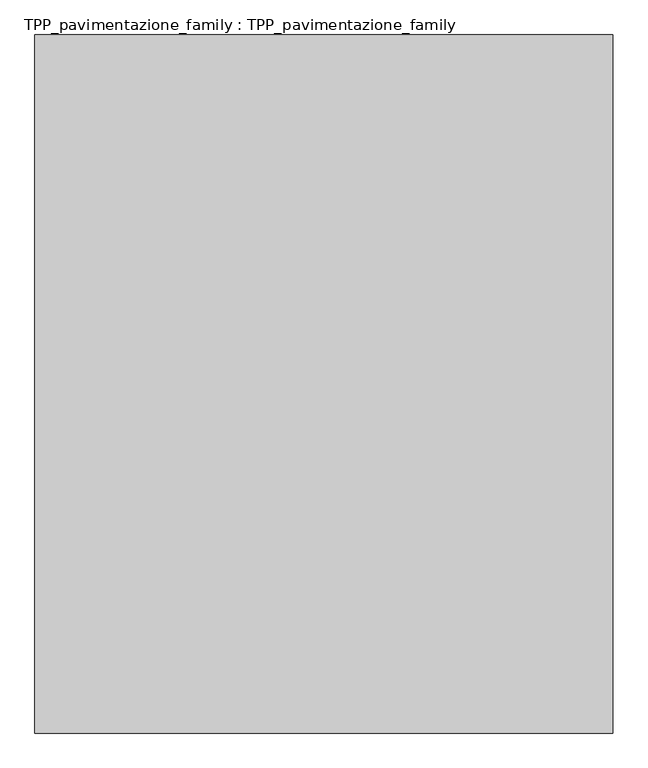
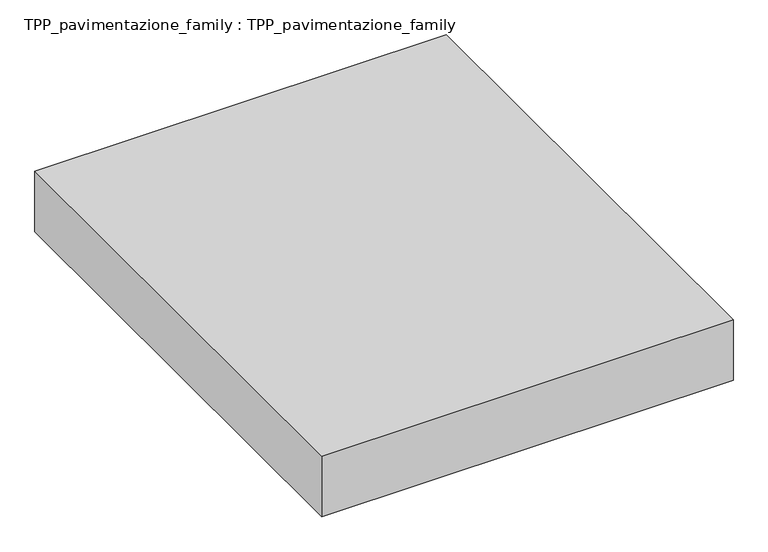
"""IFC4 building model written with IfcOpenShell, lengths in millimetres: proxy geometry, TPP_pavimentazione_family : TPP_pavimentazione_family."""

from ifc_helpers import new_model, si_unit, origin, origin_with_axes, place, context, project, spatial, polyline, outline, extrude, source, transform, mapped, element, save


def tpp_pavimentazione_family_tpp_pavimentazione_family_30af135d(model_context):
    return source(origin(), model_context, "Body", "SweptSolid", [
        extrude(outline(polyline([(511.8146187, 354.2201026), (511.8146187, -811.1679378), (-452.9793235, -811.1679378), (-452.9793235, 354.2201026), (511.8146187, 354.2201026)])), origin_with_axes(), (0.0, 0.0, 1.0), 150.0),
    ])


if __name__ == "__main__":
    model = new_model("IFC4")
    model_context = context("Model", 3, world=origin())
    ifc_project = project(units=[si_unit("LENGTHUNIT", "METRE", prefix="MILLI")], contexts=[model_context])
    site = spatial("IfcSite", under=ifc_project)
    building = spatial("IfcBuilding", under=site)
    placement = place(None, origin())
    tpp_pavimentazione_family_tpp_pavimentazione_family_shape = tpp_pavimentazione_family_tpp_pavimentazione_family_30af135d(model_context)
    element("IfcBuildingElementProxy", 1, Name="TPP_pavimentazione_family : TPP_pavimentazione_family", ObjectType="TPP_pavimentazione_family : TPP_pavimentazione_family", at=placement, inside=building, context=model_context, shape_type="MappedRepresentation", body=[
        mapped(tpp_pavimentazione_family_tpp_pavimentazione_family_shape, transform((0.0, 0.0, 0.0), x_axis=(1.0, 0.0, 0.0), y_axis=(0.0, 1.0, 0.0), z_axis=(0.0, 0.0, 1.0))),
    ])
    save(model, "model.ifc")
